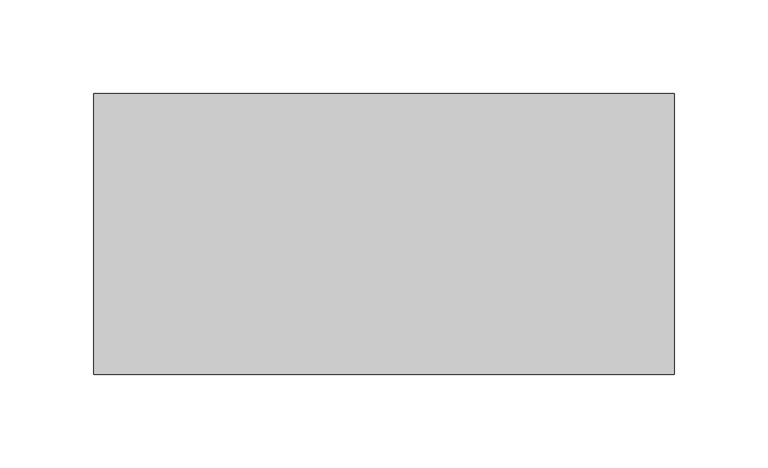
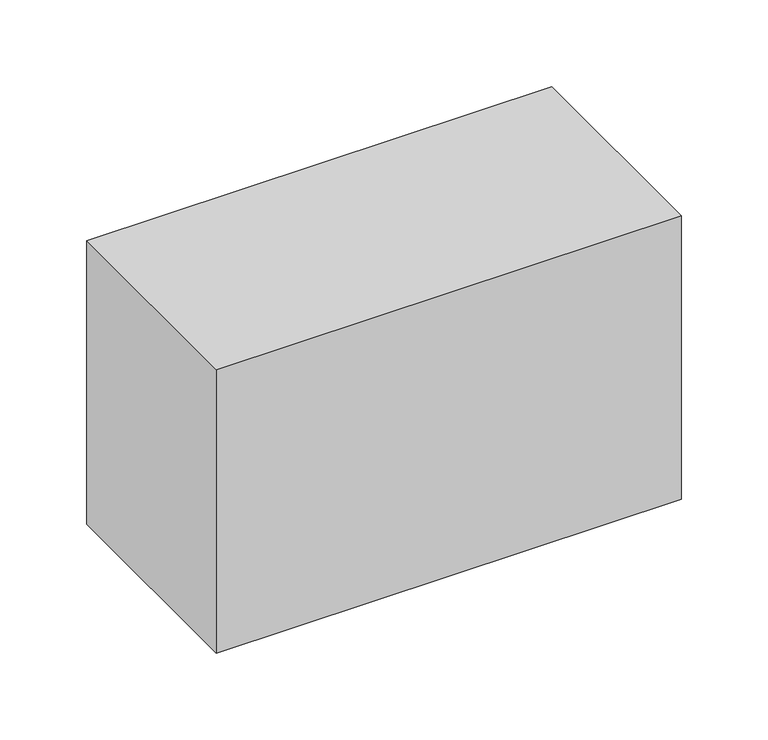
"""IFC4 building model written with IfcOpenShell, lengths in millimetres: proxy geometry."""

from ifc_helpers import new_model, si_unit, frame, origin, place, context, project, spatial, polyline, outline, extrude, source, transform, mapped, element, save


def generic_models_824d6e55(model_context):
    return source(origin(), model_context, "Body", "SweptSolid", [
        extrude(outline(polyline([(155.0, 75.0), (155.0, -75.0), (-155.0, -75.0), (-155.0, 75.0), (155.0, 75.0)])), frame((0.0, 0.0, -200.0), z_axis=(0.0, 0.0, 1.0), x_axis=(1.0, 0.0, 0.0)), (0.0, 0.0, 1.0), 200.0),
    ])


if __name__ == "__main__":
    model = new_model("IFC4")
    model_context = context("Model", 3, world=origin())
    ifc_project = project(units=[si_unit("LENGTHUNIT", "METRE", prefix="MILLI")], contexts=[model_context])
    site = spatial("IfcSite", under=ifc_project)
    building = spatial("IfcBuilding", under=site)
    placement = place(None, origin())
    generic_models_shape = generic_models_824d6e55(model_context)
    element("IfcBuildingElementProxy", 1, Name="Generic Models", at=placement, inside=building, context=model_context, shape_type="MappedRepresentation", body=[
        mapped(generic_models_shape, transform((0.0, 0.0, 0.0), x_axis=(1.0, 0.0, 0.0), y_axis=(0.0, 1.0, 0.0), z_axis=(0.0, 0.0, 1.0))),
    ])
    save(model, "model.ifc")
